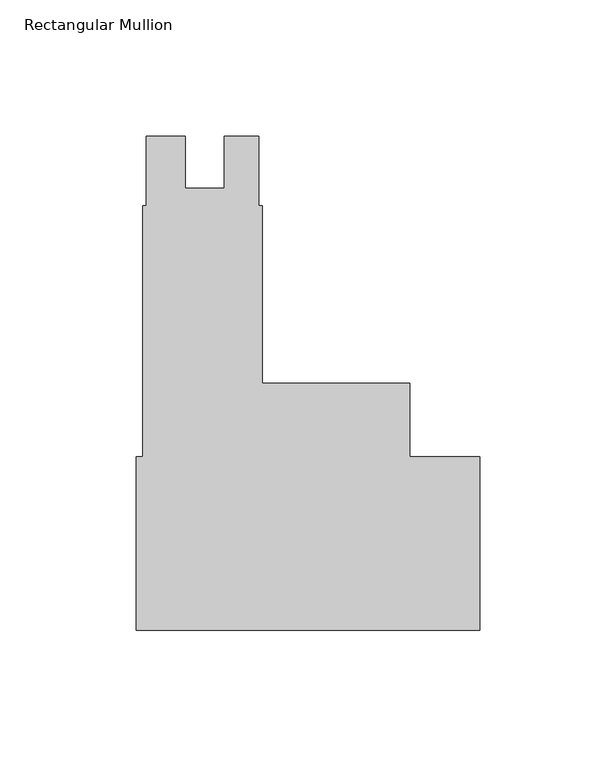
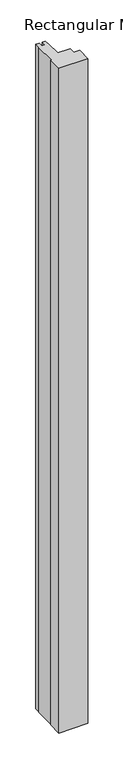
"""IFC4 building model written with IfcOpenShell, lengths in millimetres: member geometry, Rectangular Mullion."""

from ifc_helpers import new_model, si_unit, frame, origin, place, context, project, spatial, polyline, outline, extrude, source, transform, mapped, element, save


def rectangular_mullion_167b7045(model_context):
    return source(origin(), model_context, "Body", "SweptSolid", [
        extrude(outline(polyline([(-122.1422337, 123.8258958), (-122.1422337, 149.2258958), (-107.88015, 149.2258958), (-107.88015, 130.1885967), (-93.59265, 130.1885967), (-93.59265, 149.2258958), (-80.87995, 149.2258958), (-80.87995, 123.8258958), (-79.60995, 123.8258958), (-79.60995, 58.7248), (-25.577927, 58.7248), (-25.577927, 31.75), (0.0, 31.75), (0.0, -31.75), (-125.7808, -31.75), (-125.7808, 31.75), (-123.39955, 31.75), (-123.39955, 123.8258958), (-122.1422337, 123.8258958)])), frame((0.0, 0.0, -3048.0), z_axis=(0.0, 0.0, 1.0), x_axis=(1.0, 0.0, 0.0)), (0.0, 0.0, 1.0), 3048.0),
    ])


if __name__ == "__main__":
    model = new_model("IFC4")
    model_context = context("Model", 3, world=origin())
    ifc_project = project(units=[si_unit("LENGTHUNIT", "METRE", prefix="MILLI")], contexts=[model_context])
    site = spatial("IfcSite", under=ifc_project)
    building = spatial("IfcBuilding", under=site)
    placement = place(None, origin())
    rectangular_mullion_shape = rectangular_mullion_167b7045(model_context)
    element("IfcMember", 1, ObjectType="Rectangular Mullion", at=placement, inside=building, context=model_context, shape_type="MappedRepresentation", body=[
        mapped(rectangular_mullion_shape, transform((0.0, 0.0, 0.0), x_axis=(1.0, 0.0, 0.0), y_axis=(0.0, 1.0, 0.0), z_axis=(0.0, 0.0, 1.0))),
    ])
    save(model, "model.ifc")
